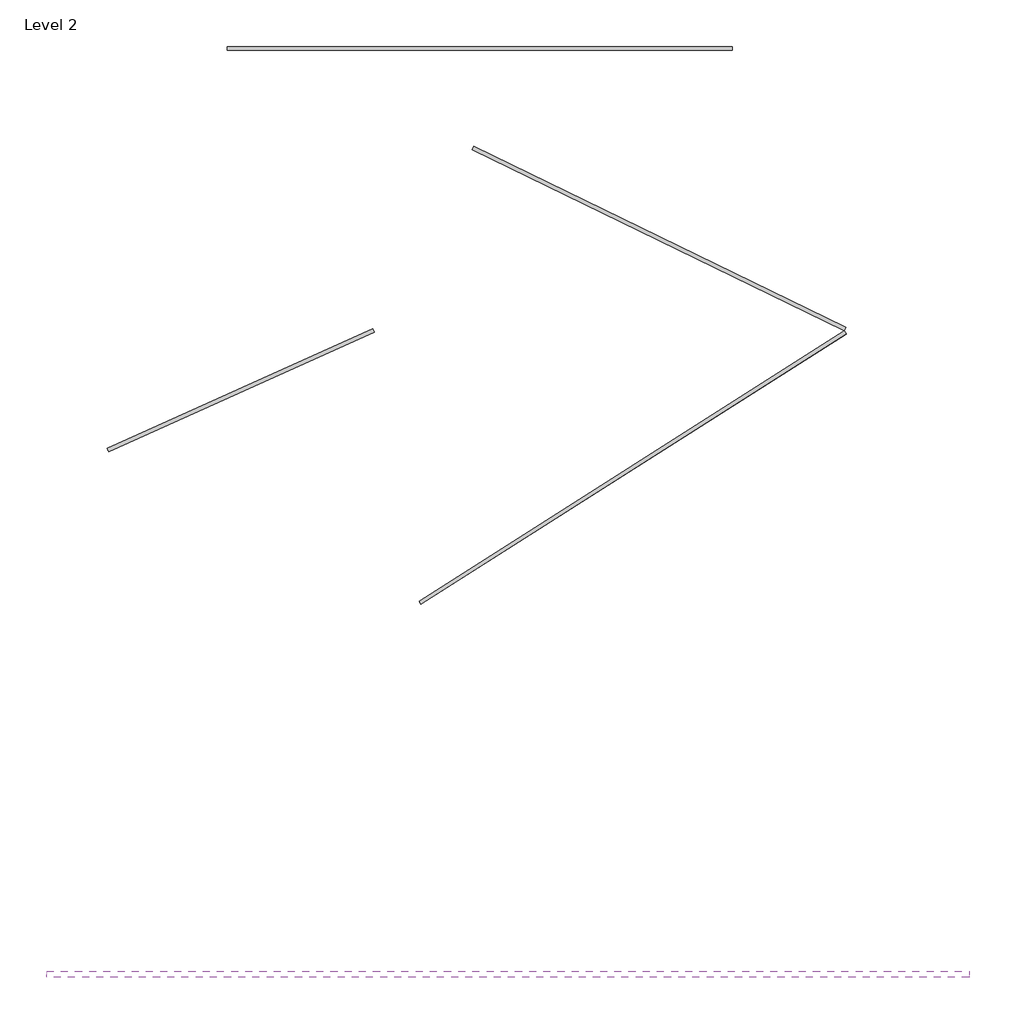
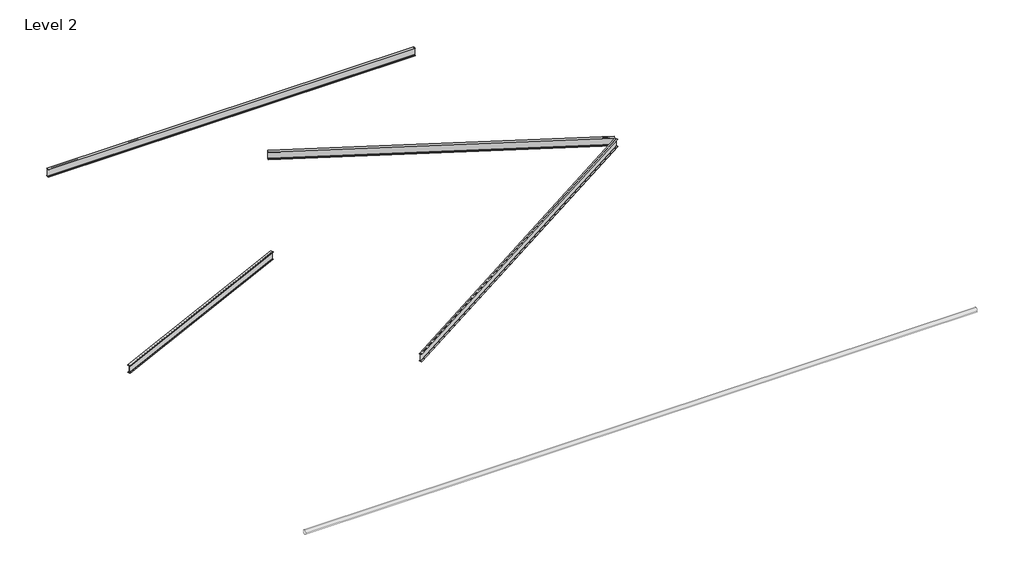
# One storey: 4 beams, 1 pipe segment.
"""IFC4 building model written with IfcOpenShell, lengths in millimetres."""

import ifcopenshell
import ifcopenshell.guid

model = None  # the IFC model being written
_history = None  # IfcOwnerHistory: only IFC2X3 demands one
_inside = {}  # id of a spatial element -> (the spatial element, [elements in it])
_under = {}  # id of a project, library or spatial element -> (it, [spatial elements below it])
_declared = {}  # id of a project -> (the project, [libraries it declares])
_typed = {}  # id of a type object -> (the type object, [elements of that type])
_made_of = {}  # id of a material, layer set ... -> (it, [elements and type objects made of it])


def new_model(schema):
    """Start an empty IFC model of exactly this schema.

    Asked for "IFC4X3", IfcOpenShell would pick the latest addendum, in which some entities
    have other attributes; the version numbers below select the first issue.
    IFC2X3 requires an IfcOwnerHistory on every rooted entity: one is made here for all.
    """
    global model, _history
    if schema == "IFC4X3":
        model = ifcopenshell.file(schema_version=(4, 3, 0, 0))
    else:
        model = ifcopenshell.file(schema=schema)
    _inside.clear()
    _under.clear()
    _declared.clear()
    _typed.clear()
    _made_of.clear()
    _history = None
    if model.schema == "IFC2X3":
        org = make("IfcOrganization", Name="unknown")
        user = make(
            "IfcPersonAndOrganization",
            ThePerson=make("IfcPerson", FamilyName="unknown"),
            TheOrganization=org,
        )
        app = make(
            "IfcApplication",
            ApplicationDeveloper=org,
            Version="unknown",
            ApplicationFullName="unknown",
            ApplicationIdentifier="unknown",
        )
        _history = make(
            "IfcOwnerHistory",
            OwningUser=user,
            OwningApplication=app,
            ChangeAction="ADDED",
            CreationDate=0,
        )
    return model


def make(cls, **values):
    """One entity of the class cls with the attributes given. An attribute that is None is left unset."""
    return model.create_entity(
        cls, **{name: value for name, value in values.items() if value is not None}
    )


def rooted(cls, **values):
    """An entity with a GlobalId (a new one), such as an element, a storey or a relation."""
    return make(cls, GlobalId=ifcopenshell.guid.new(), OwnerHistory=_history, **values)


def si_unit(unit_type, name, prefix=None):
    """IfcSIUnit, for example si_unit("LENGTHUNIT", "METRE", prefix="MILLI")."""
    return make("IfcSIUnit", UnitType=unit_type, Prefix=prefix, Name=name)


def assignment(units):
    """IfcUnitAssignment: the units of a project."""
    return None if units is None else make("IfcUnitAssignment", Units=units)


def point(xyz):
    """IfcCartesianPoint."""
    return None if xyz is None else make("IfcCartesianPoint", Coordinates=xyz)


def direction(xyz):
    """IfcDirection."""
    return None if xyz is None else make("IfcDirection", DirectionRatios=xyz)


def frame(location, z_axis=None, x_axis=None):
    """IfcAxis2Placement3D, a coordinate frame: its origin and axes. An axis left out is left unset."""
    return make(
        "IfcAxis2Placement3D",
        Location=point(location),
        Axis=direction(z_axis),
        RefDirection=direction(x_axis),
    )


def frame_2d(location, x_axis=None):
    """IfcAxis2Placement2D, a coordinate frame in the plane: its origin and x axis."""
    return make(
        "IfcAxis2Placement2D", Location=point(location), RefDirection=direction(x_axis)
    )


def origin():
    """The frame at (0, 0, 0) with its axes left unset."""
    return frame((0.0, 0.0, 0.0))


def place(relative_to, where):
    """IfcLocalPlacement: puts the frame where relative to a parent placement (None: the world)."""
    return make(
        "IfcLocalPlacement", PlacementRelTo=relative_to, RelativePlacement=where
    )


def context(
    kind, dimensions, precision=None, world=None, true_north=None, identifier=None
):
    """IfcGeometricRepresentationContext, for example the 3D "Model" context."""
    return make(
        "IfcGeometricRepresentationContext",
        ContextIdentifier=identifier,
        ContextType=kind,
        CoordinateSpaceDimension=dimensions,
        Precision=precision,
        WorldCoordinateSystem=world,
        TrueNorth=true_north,
    )


def project(units=None, contexts=None):
    """IfcProject with its units and contexts."""
    return rooted(
        "IfcProject",
        Name="project",
        RepresentationContexts=contexts,
        UnitsInContext=assignment(units),
    )


def spatial(cls, under=None, at=None, **own):
    """A site, building, storey or space (cls), placed at a placement, below another one or the project."""
    s = rooted(cls, ObjectPlacement=at, **own)
    if under is not None:
        _under.setdefault(under.id(), (under, []))[1].append(s)
    return s


def polyline(points):
    """IfcPolyline through the points."""
    return make("IfcPolyline", Points=[point(p) for p in points])


def circle_curve(where, radius):
    """IfcCircle in the frame where."""
    return make("IfcCircle", Position=where, Radius=radius)


def trimmed(basis, trim1, trim2, sense, master):
    """IfcTrimmedCurve: the piece of a basis curve between two trims."""
    return make(
        "IfcTrimmedCurve",
        BasisCurve=basis,
        Trim1=trim1,
        Trim2=trim2,
        SenseAgreement=sense,
        MasterRepresentation=master,
    )


def segment(curve, same_sense, transition):
    """IfcCompositeCurveSegment."""
    return make(
        "IfcCompositeCurveSegment",
        Transition=transition,
        SameSense=same_sense,
        ParentCurve=curve,
    )


def composite_curve(segments, self_intersect=None):
    """IfcCompositeCurve: segments joined end to end."""
    return make("IfcCompositeCurve", Segments=segments, SelfIntersect=self_intersect)


def outline(outer, holes=None, kind="AREA"):
    """IfcArbitraryClosedProfileDef: a profile drawn as a closed curve; with holes, ...WithVoids."""
    if holes is None:
        return make("IfcArbitraryClosedProfileDef", ProfileType=kind, OuterCurve=outer)
    return make(
        "IfcArbitraryProfileDefWithVoids",
        ProfileType=kind,
        OuterCurve=outer,
        InnerCurves=holes,
    )


def extrude(swept, where, along, depth):
    """IfcExtrudedAreaSolid: the profile swept, set in the frame where, extruded along a direction by depth."""
    return make(
        "IfcExtrudedAreaSolid",
        SweptArea=swept,
        Position=where,
        ExtrudedDirection=direction(along),
        Depth=depth,
    )


def shape(context_of_items, identifier, shape_type, items):
    """IfcShapeRepresentation: the items that make up one representation, for example the "Body"."""
    return make(
        "IfcShapeRepresentation",
        ContextOfItems=context_of_items,
        RepresentationIdentifier=identifier,
        RepresentationType=shape_type,
        Items=items,
    )


def source(mapping_origin, context_of_items, identifier, shape_type, items):
    """IfcRepresentationMap: a shape defined once, which mapped items show again and again."""
    return make(
        "IfcRepresentationMap",
        MappingOrigin=mapping_origin,
        MappedRepresentation=shape(context_of_items, identifier, shape_type, items),
    )


def transform(
    local_origin,
    x_axis=None,
    y_axis=None,
    z_axis=None,
    scale=None,
    scale2=None,
    scale3=None,
    uniform=True,
):
    """IfcCartesianTransformationOperator3D, or its non-uniform kind. x_axis, y_axis, z_axis: its Axis1, 2, 3."""
    if uniform:
        return make(
            "IfcCartesianTransformationOperator3D",
            Axis1=direction(x_axis),
            Axis2=direction(y_axis),
            LocalOrigin=point(local_origin),
            Scale=scale,
            Axis3=direction(z_axis),
        )
    return make(
        "IfcCartesianTransformationOperator3DnonUniform",
        Axis1=direction(x_axis),
        Axis2=direction(y_axis),
        LocalOrigin=point(local_origin),
        Scale=scale,
        Axis3=direction(z_axis),
        Scale2=scale2,
        Scale3=scale3,
    )


def mapped(mapping_source, mapping_target):
    """IfcMappedItem: shows the shape of a source again, moved by a transform."""
    return make(
        "IfcMappedItem", MappingSource=mapping_source, MappingTarget=mapping_target
    )


def made_of(thing, what):
    """Note that an element or type object is made of a material, layer set ...; save() writes the relation."""
    if what is not None:
        _made_of.setdefault(what.id(), (what, []))[1].append(thing)
    return thing


def element(
    cls,
    number,
    at=None,
    inside=None,
    cuts=None,
    type_object=None,
    material=None,
    context=None,
    identifier="Body",
    shape_type=None,
    held_by="IfcProductDefinitionShape",
    body=None,
    shapes=None,
    **own,
):
    """One element of the class cls, such as IfcWall. Its Tag is "e" and its number.

    at: its placement. inside: the storey or other place that contains it. cuts: it is an
    opening in that element (IfcRelVoidsElement). A single representation is given by context,
    identifier, shape_type and body (its items); several are given by shapes. held_by: the class
    of the entity that holds the representations. save() writes the other relations.
    """
    e = rooted(cls, Tag="e%d" % number, ObjectPlacement=at, **own)
    if body is not None:
        shapes = [shape(context, identifier, shape_type, body)]
    if shapes is not None:
        e.Representation = make(held_by, Representations=shapes)
    if inside is not None:
        _inside.setdefault(inside.id(), (inside, []))[1].append(e)
    if cuts is not None:
        rooted(
            "IfcRelVoidsElement", RelatingBuildingElement=cuts, RelatedOpeningElement=e
        )
    if type_object is not None:
        _typed.setdefault(type_object.id(), (type_object, []))[1].append(e)
    return made_of(e, material)


def aggregate(whole, parts):
    """IfcRelAggregates: a whole, such as a stair, and the parts it consists of."""
    return rooted("IfcRelAggregates", RelatingObject=whole, RelatedObjects=parts)


def save(model, path):
    """Write the relations noted so far, then the file.

    IfcRelAggregates (storeys below a building ...), IfcRelContainedInSpatialStructure (elements
    in a storey), IfcRelDefinesByType, IfcRelAssociatesMaterial and IfcRelDeclares: one each for
    every whole, place, type object, material and project.
    """
    for whole, parts in _under.values():
        aggregate(whole, parts)
    for where, things in _inside.values():
        rooted(
            "IfcRelContainedInSpatialStructure",
            RelatedElements=things,
            RelatingStructure=where,
        )
    for kind, things in _typed.values():
        rooted("IfcRelDefinesByType", RelatedObjects=things, RelatingType=kind)
    for what, things in _made_of.values():
        rooted("IfcRelAssociatesMaterial", RelatedObjects=things, RelatingMaterial=what)
    for by, libraries in _declared.values():
        rooted("IfcRelDeclares", RelatingContext=by, RelatedDefinitions=libraries)
    model.write(path)


def ub_universal_beams_ub305x102x25_8f894b5f(model_context):
    return source(origin(), model_context, "Body", "SweptSolid", [
        extrude(outline(composite_curve([segment(polyline([(50.8, -145.55), (50.8, -152.55), (-50.8, -152.55), (-50.8, -145.55), (-10.5, -145.55)]), True, "CONTINUOUS"), segment(trimmed(circle_curve(frame_2d((-10.5, -137.95)), 7.6), [point((-10.5, -145.55))], [point((-2.9, -137.95))], True, "CARTESIAN"), True, "CONTINUOUS"), segment(polyline([(-2.9, -137.95), (-2.9, 137.95)]), True, "CONTINUOUS"), segment(trimmed(circle_curve(frame_2d((-10.5, 137.95)), 7.6), [point((-2.9, 137.95))], [point((-10.5, 145.55))], True, "CARTESIAN"), True, "CONTINUOUS"), segment(polyline([(-10.5, 145.55), (-50.8, 145.55), (-50.8, 152.55), (50.8, 152.55), (50.8, 145.55), (10.5, 145.55)]), True, "CONTINUOUS"), segment(trimmed(circle_curve(frame_2d((10.5, 137.95)), 7.6), [point((10.5, 145.55))], [point((2.9, 137.95))], True, "CARTESIAN"), True, "CONTINUOUS"), segment(polyline([(2.9, 137.95), (2.9, -137.95)]), True, "CONTINUOUS"), segment(trimmed(circle_curve(frame_2d((10.5, -137.95)), 7.6), [point((2.9, -137.95))], [point((10.5, -145.55))], True, "CARTESIAN"), True, "CONTINUOUS"), segment(polyline([(10.5, -145.55), (50.8, -145.55)]), True, "CONTINUOUS")], self_intersect=False)), frame((-7110.0, 0.0, 0.0), z_axis=(1.0, 0.0, 0.0), x_axis=(0.0, 1.0, 0.0)), (0.0, 0.0, 1.0), 14220.0),
    ])


def ub_universal_beams_ub305x102x25_f4e64e74(model_context):
    return source(origin(), model_context, "Body", "SweptSolid", [
        extrude(outline(composite_curve([segment(polyline([(50.8, -145.55), (50.8, -152.55), (-50.8, -152.55), (-50.8, -145.55), (-10.5, -145.55)]), True, "CONTINUOUS"), segment(trimmed(circle_curve(frame_2d((-10.5, -137.95)), 7.6), [point((-10.5, -145.55))], [point((-2.9, -137.95))], True, "CARTESIAN"), True, "CONTINUOUS"), segment(polyline([(-2.9, -137.95), (-2.9, 137.95)]), True, "CONTINUOUS"), segment(trimmed(circle_curve(frame_2d((-10.5, 137.95)), 7.6), [point((-2.9, 137.95))], [point((-10.5, 145.55))], True, "CARTESIAN"), True, "CONTINUOUS"), segment(polyline([(-10.5, 145.55), (-50.8, 145.55), (-50.8, 152.55), (50.8, 152.55), (50.8, 145.55), (10.5, 145.55)]), True, "CONTINUOUS"), segment(trimmed(circle_curve(frame_2d((10.5, 137.95)), 7.6), [point((10.5, 145.55))], [point((2.9, 137.95))], True, "CARTESIAN"), True, "CONTINUOUS"), segment(polyline([(2.9, 137.95), (2.9, -137.95)]), True, "CONTINUOUS"), segment(trimmed(circle_curve(frame_2d((10.5, -137.95)), 7.6), [point((2.9, -137.95))], [point((10.5, -145.55))], True, "CARTESIAN"), True, "CONTINUOUS"), segment(polyline([(10.5, -145.55), (50.8, -145.55)]), True, "CONTINUOUS")], self_intersect=False)), frame((-4103.55, 0.0, 0.0), z_axis=(1.0, 0.0, 0.0), x_axis=(0.0, 1.0, 0.0)), (0.0, 0.0, 1.0), 8207.1),
    ])


def ub_universal_beams_ub305x102x25_b13952ea(model_context):
    return source(origin(), model_context, "Body", "SweptSolid", [
        extrude(outline(composite_curve([segment(polyline([(50.8, -145.55), (50.8, -152.55), (-50.8, -152.55), (-50.8, -145.55), (-10.5, -145.55)]), True, "CONTINUOUS"), segment(trimmed(circle_curve(frame_2d((-10.5, -137.95)), 7.6), [point((-10.5, -145.55))], [point((-2.9, -137.95))], True, "CARTESIAN"), True, "CONTINUOUS"), segment(polyline([(-2.9, -137.95), (-2.9, 137.95)]), True, "CONTINUOUS"), segment(trimmed(circle_curve(frame_2d((-10.5, 137.95)), 7.6), [point((-2.9, 137.95))], [point((-10.5, 145.55))], True, "CARTESIAN"), True, "CONTINUOUS"), segment(polyline([(-10.5, 145.55), (-50.8, 145.55), (-50.8, 152.55), (50.8, 152.55), (50.8, 145.55), (10.5, 145.55)]), True, "CONTINUOUS"), segment(trimmed(circle_curve(frame_2d((10.5, 137.95)), 7.6), [point((10.5, 145.55))], [point((2.9, 137.95))], True, "CARTESIAN"), True, "CONTINUOUS"), segment(polyline([(2.9, 137.95), (2.9, -137.95)]), True, "CONTINUOUS"), segment(trimmed(circle_curve(frame_2d((10.5, -137.95)), 7.6), [point((2.9, -137.95))], [point((10.5, -145.55))], True, "CARTESIAN"), True, "CONTINUOUS"), segment(polyline([(10.5, -145.55), (50.8, -145.55)]), True, "CONTINUOUS")], self_intersect=False)), frame((-5878.6, 0.0, 0.0), z_axis=(1.0, 0.0, 0.0), x_axis=(0.0, 1.0, 0.0)), (0.0, 0.0, 1.0), 11653.6),
    ])


def ub_universal_beams_ub305x102x25_26922c9a(model_context):
    return source(origin(), model_context, "Body", "SweptSolid", [
        extrude(outline(composite_curve([segment(polyline([(50.8, -145.55), (50.8, -152.55), (-50.8, -152.55), (-50.8, -145.55), (-10.5, -145.55)]), True, "CONTINUOUS"), segment(trimmed(circle_curve(frame_2d((-10.5, -137.95)), 7.6), [point((-10.5, -145.55))], [point((-2.9, -137.95))], True, "CARTESIAN"), True, "CONTINUOUS"), segment(polyline([(-2.9, -137.95), (-2.9, 137.95)]), True, "CONTINUOUS"), segment(trimmed(circle_curve(frame_2d((-10.5, 137.95)), 7.6), [point((-2.9, 137.95))], [point((-10.5, 145.55))], True, "CARTESIAN"), True, "CONTINUOUS"), segment(polyline([(-10.5, 145.55), (-50.8, 145.55), (-50.8, 152.55), (50.8, 152.55), (50.8, 145.55), (10.5, 145.55)]), True, "CONTINUOUS"), segment(trimmed(circle_curve(frame_2d((10.5, 137.95)), 7.6), [point((10.5, 145.55))], [point((2.9, 137.95))], True, "CARTESIAN"), True, "CONTINUOUS"), segment(polyline([(2.9, 137.95), (2.9, -137.95)]), True, "CONTINUOUS"), segment(trimmed(circle_curve(frame_2d((10.5, -137.95)), 7.6), [point((2.9, -137.95))], [point((10.5, -145.55))], True, "CARTESIAN"), True, "CONTINUOUS"), segment(polyline([(10.5, -145.55), (50.8, -145.55)]), True, "CONTINUOUS")], self_intersect=False)), frame((-7046.45, 0.0, 0.0), z_axis=(1.0, 0.0, 0.0), x_axis=(0.0, 1.0, 0.0)), (0.0, 0.0, 1.0), 14196.5),
    ])


model = new_model("IFC4")

# Units and contexts
model_context = context("Model", 3, world=origin())
ifc_project = project(units=[si_unit("LENGTHUNIT", "METRE", prefix="MILLI")], contexts=[model_context])

# Site, building, storey
site = spatial("IfcSite", under=ifc_project)
building = spatial("IfcBuilding", under=site)
storey = spatial("IfcBuildingStorey", under=building, Name="Level 2", Elevation=3000.0)

# Beams
placement = place(None, origin())
ub_universal_beams_ub305x102x25_shape = ub_universal_beams_ub305x102x25_8f894b5f(model_context)
element("IfcBeam", 1, ObjectType="UB-Universal Beams : UB305x102x25", at=placement, inside=storey, context=model_context, shape_type="MappedRepresentation", body=[
    mapped(ub_universal_beams_ub305x102x25_shape, transform((-5707.1792844, 12180.6781118, 2847.45), x_axis=(1.0, 0.0, 0.0), y_axis=(0.0, 1.0, 0.0), z_axis=(0.0, 0.0, 1.0))),
])
ub_universal_beams_ub305x102x25_2_shape = ub_universal_beams_ub305x102x25_f4e64e74(model_context)
element("IfcBeam", 2, ObjectType="UB-Universal Beams : UB305x102x25", at=placement, inside=storey, context=model_context, shape_type="MappedRepresentation", body=[
    mapped(ub_universal_beams_ub305x102x25_2_shape, transform((-12443.0055171, 2544.7044734, 2847.45), x_axis=(0.9119215051751066, 0.4103646773287974, 0.0), y_axis=(-0.4103646773287974, 0.9119215051751066, 0.0), z_axis=(0.0, 0.0, 1.0))),
])
ub_universal_beams_ub305x102x25_3_shape = ub_universal_beams_ub305x102x25_b13952ea(model_context)
element("IfcBeam", 3, ObjectType="UB-Universal Beams : UB305x102x25", at=placement, inside=storey, context=model_context, shape_type="MappedRepresentation", body=[
    mapped(ub_universal_beams_ub305x102x25_3_shape, transform((-608.5330388, 6801.3724398, 2847.45), x_axis=(0.8991504721028853, -0.4376396103155637, 0.0), y_axis=(0.4376396103155637, 0.8991504721028853, 0.0), z_axis=(0.0, 0.0, 1.0))),
])
ub_universal_beams_ub305x102x25_4_shape = ub_universal_beams_ub305x102x25_26922c9a(model_context)
element("IfcBeam", 4, ObjectType="UB-Universal Beams : UB305x102x25", at=placement, inside=storey, context=model_context, shape_type="MappedRepresentation", body=[
    mapped(ub_universal_beams_ub305x102x25_4_shape, transform((-1356.9581758, 392.9822046, 2847.45), x_axis=(-0.8439307620765544, -0.5364521123277324, 0.0), y_axis=(0.5364521123277324, -0.8439307620765544, 0.0), z_axis=(0.0, 0.0, 1.0))),
])

# Pipe segment
element("IfcPipeSegment", 5, ObjectType="Default", at=placement, inside=storey, context=model_context, shape_type="SweptSolid", body=[
    extrude(outline(composite_curve([segment(trimmed(circle_curve(frame_2d((-13920.6485399, 5743.2)), 84.1375), [point((-14004.7860399, 5743.2))], [point((-13920.6485399, 5827.3375))], False, "CARTESIAN"), True, "CONTINUOUS"), segment(trimmed(circle_curve(frame_2d((-13920.6485399, 5743.2)), 84.1375), [point((-13920.6485399, 5827.3375))], [point((-13836.5110399, 5743.2))], False, "CARTESIAN"), True, "CONTINUOUS"), segment(trimmed(circle_curve(frame_2d((-13920.6485399, 5743.2)), 84.1375), [point((-13836.5110399, 5743.2))], [point((-13920.6485399, 5659.0625))], False, "CARTESIAN"), True, "CONTINUOUS"), segment(trimmed(circle_curve(frame_2d((-13920.6485399, 5743.2)), 84.1375), [point((-13920.6485399, 5659.0625))], [point((-14004.7860399, 5743.2))], False, "CARTESIAN"), True, "CONTINUOUS")], self_intersect=False)), frame((-17915.8643311, 0.0, 0.0), z_axis=(1.0, 0.0, 0.0), x_axis=(0.0, 1.0, 0.0)), (0.0, 0.0, 1.0), 26000.0),
])

save(model, "model.ifc")
